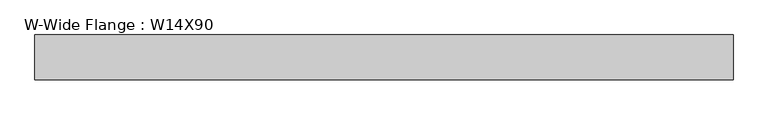
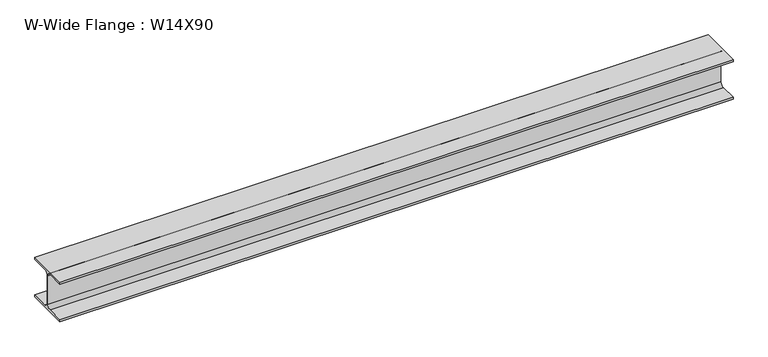
"""IFC4 building model written with IfcOpenShell, lengths in millimetres: beam geometry, W-Wide Flange : W14X90."""

import ifcopenshell
import ifcopenshell.guid

model = None  # the IFC model being written
_history = None  # IfcOwnerHistory: only IFC2X3 demands one
_inside = {}  # id of a spatial element -> (the spatial element, [elements in it])
_under = {}  # id of a project, library or spatial element -> (it, [spatial elements below it])
_declared = {}  # id of a project -> (the project, [libraries it declares])
_typed = {}  # id of a type object -> (the type object, [elements of that type])
_made_of = {}  # id of a material, layer set ... -> (it, [elements and type objects made of it])


def new_model(schema):
    """Start an empty IFC model of exactly this schema.

    Asked for "IFC4X3", IfcOpenShell would pick the latest addendum, in which some entities
    have other attributes; the version numbers below select the first issue.
    IFC2X3 requires an IfcOwnerHistory on every rooted entity: one is made here for all.
    """
    global model, _history
    if schema == "IFC4X3":
        model = ifcopenshell.file(schema_version=(4, 3, 0, 0))
    else:
        model = ifcopenshell.file(schema=schema)
    _inside.clear()
    _under.clear()
    _declared.clear()
    _typed.clear()
    _made_of.clear()
    _history = None
    if model.schema == "IFC2X3":
        org = make("IfcOrganization", Name="unknown")
        user = make(
            "IfcPersonAndOrganization",
            ThePerson=make("IfcPerson", FamilyName="unknown"),
            TheOrganization=org,
        )
        app = make(
            "IfcApplication",
            ApplicationDeveloper=org,
            Version="unknown",
            ApplicationFullName="unknown",
            ApplicationIdentifier="unknown",
        )
        _history = make(
            "IfcOwnerHistory",
            OwningUser=user,
            OwningApplication=app,
            ChangeAction="ADDED",
            CreationDate=0,
        )
    return model


def make(cls, **values):
    """One entity of the class cls with the attributes given. An attribute that is None is left unset."""
    return model.create_entity(
        cls, **{name: value for name, value in values.items() if value is not None}
    )


def rooted(cls, **values):
    """An entity with a GlobalId (a new one), such as an element, a storey or a relation."""
    return make(cls, GlobalId=ifcopenshell.guid.new(), OwnerHistory=_history, **values)


def si_unit(unit_type, name, prefix=None):
    """IfcSIUnit, for example si_unit("LENGTHUNIT", "METRE", prefix="MILLI")."""
    return make("IfcSIUnit", UnitType=unit_type, Prefix=prefix, Name=name)


def assignment(units):
    """IfcUnitAssignment: the units of a project."""
    return None if units is None else make("IfcUnitAssignment", Units=units)


def point(xyz):
    """IfcCartesianPoint."""
    return None if xyz is None else make("IfcCartesianPoint", Coordinates=xyz)


def direction(xyz):
    """IfcDirection."""
    return None if xyz is None else make("IfcDirection", DirectionRatios=xyz)


def frame(location, z_axis=None, x_axis=None):
    """IfcAxis2Placement3D, a coordinate frame: its origin and axes. An axis left out is left unset."""
    return make(
        "IfcAxis2Placement3D",
        Location=point(location),
        Axis=direction(z_axis),
        RefDirection=direction(x_axis),
    )


def frame_2d(location, x_axis=None):
    """IfcAxis2Placement2D, a coordinate frame in the plane: its origin and x axis."""
    return make(
        "IfcAxis2Placement2D", Location=point(location), RefDirection=direction(x_axis)
    )


def origin():
    """The frame at (0, 0, 0) with its axes left unset."""
    return frame((0.0, 0.0, 0.0))


def place(relative_to, where):
    """IfcLocalPlacement: puts the frame where relative to a parent placement (None: the world)."""
    return make(
        "IfcLocalPlacement", PlacementRelTo=relative_to, RelativePlacement=where
    )


def context(
    kind, dimensions, precision=None, world=None, true_north=None, identifier=None
):
    """IfcGeometricRepresentationContext, for example the 3D "Model" context."""
    return make(
        "IfcGeometricRepresentationContext",
        ContextIdentifier=identifier,
        ContextType=kind,
        CoordinateSpaceDimension=dimensions,
        Precision=precision,
        WorldCoordinateSystem=world,
        TrueNorth=true_north,
    )


def project(units=None, contexts=None):
    """IfcProject with its units and contexts."""
    return rooted(
        "IfcProject",
        Name="project",
        RepresentationContexts=contexts,
        UnitsInContext=assignment(units),
    )


def spatial(cls, under=None, at=None, **own):
    """A site, building, storey or space (cls), placed at a placement, below another one or the project."""
    s = rooted(cls, ObjectPlacement=at, **own)
    if under is not None:
        _under.setdefault(under.id(), (under, []))[1].append(s)
    return s


def polyline(points):
    """IfcPolyline through the points."""
    return make("IfcPolyline", Points=[point(p) for p in points])


def circle_curve(where, radius):
    """IfcCircle in the frame where."""
    return make("IfcCircle", Position=where, Radius=radius)


def trimmed(basis, trim1, trim2, sense, master):
    """IfcTrimmedCurve: the piece of a basis curve between two trims."""
    return make(
        "IfcTrimmedCurve",
        BasisCurve=basis,
        Trim1=trim1,
        Trim2=trim2,
        SenseAgreement=sense,
        MasterRepresentation=master,
    )


def segment(curve, same_sense, transition):
    """IfcCompositeCurveSegment."""
    return make(
        "IfcCompositeCurveSegment",
        Transition=transition,
        SameSense=same_sense,
        ParentCurve=curve,
    )


def composite_curve(segments, self_intersect=None):
    """IfcCompositeCurve: segments joined end to end."""
    return make("IfcCompositeCurve", Segments=segments, SelfIntersect=self_intersect)


def outline(outer, holes=None, kind="AREA"):
    """IfcArbitraryClosedProfileDef: a profile drawn as a closed curve; with holes, ...WithVoids."""
    if holes is None:
        return make("IfcArbitraryClosedProfileDef", ProfileType=kind, OuterCurve=outer)
    return make(
        "IfcArbitraryProfileDefWithVoids",
        ProfileType=kind,
        OuterCurve=outer,
        InnerCurves=holes,
    )


def extrude(swept, where, along, depth):
    """IfcExtrudedAreaSolid: the profile swept, set in the frame where, extruded along a direction by depth."""
    return make(
        "IfcExtrudedAreaSolid",
        SweptArea=swept,
        Position=where,
        ExtrudedDirection=direction(along),
        Depth=depth,
    )


def shape(context_of_items, identifier, shape_type, items):
    """IfcShapeRepresentation: the items that make up one representation, for example the "Body"."""
    return make(
        "IfcShapeRepresentation",
        ContextOfItems=context_of_items,
        RepresentationIdentifier=identifier,
        RepresentationType=shape_type,
        Items=items,
    )


def source(mapping_origin, context_of_items, identifier, shape_type, items):
    """IfcRepresentationMap: a shape defined once, which mapped items show again and again."""
    return make(
        "IfcRepresentationMap",
        MappingOrigin=mapping_origin,
        MappedRepresentation=shape(context_of_items, identifier, shape_type, items),
    )


def transform(
    local_origin,
    x_axis=None,
    y_axis=None,
    z_axis=None,
    scale=None,
    scale2=None,
    scale3=None,
    uniform=True,
):
    """IfcCartesianTransformationOperator3D, or its non-uniform kind. x_axis, y_axis, z_axis: its Axis1, 2, 3."""
    if uniform:
        return make(
            "IfcCartesianTransformationOperator3D",
            Axis1=direction(x_axis),
            Axis2=direction(y_axis),
            LocalOrigin=point(local_origin),
            Scale=scale,
            Axis3=direction(z_axis),
        )
    return make(
        "IfcCartesianTransformationOperator3DnonUniform",
        Axis1=direction(x_axis),
        Axis2=direction(y_axis),
        LocalOrigin=point(local_origin),
        Scale=scale,
        Axis3=direction(z_axis),
        Scale2=scale2,
        Scale3=scale3,
    )


def mapped(mapping_source, mapping_target):
    """IfcMappedItem: shows the shape of a source again, moved by a transform."""
    return make(
        "IfcMappedItem", MappingSource=mapping_source, MappingTarget=mapping_target
    )


def made_of(thing, what):
    """Note that an element or type object is made of a material, layer set ...; save() writes the relation."""
    if what is not None:
        _made_of.setdefault(what.id(), (what, []))[1].append(thing)
    return thing


def element(
    cls,
    number,
    at=None,
    inside=None,
    cuts=None,
    type_object=None,
    material=None,
    context=None,
    identifier="Body",
    shape_type=None,
    held_by="IfcProductDefinitionShape",
    body=None,
    shapes=None,
    **own,
):
    """One element of the class cls, such as IfcWall. Its Tag is "e" and its number.

    at: its placement. inside: the storey or other place that contains it. cuts: it is an
    opening in that element (IfcRelVoidsElement). A single representation is given by context,
    identifier, shape_type and body (its items); several are given by shapes. held_by: the class
    of the entity that holds the representations. save() writes the other relations.
    """
    e = rooted(cls, Tag="e%d" % number, ObjectPlacement=at, **own)
    if body is not None:
        shapes = [shape(context, identifier, shape_type, body)]
    if shapes is not None:
        e.Representation = make(held_by, Representations=shapes)
    if inside is not None:
        _inside.setdefault(inside.id(), (inside, []))[1].append(e)
    if cuts is not None:
        rooted(
            "IfcRelVoidsElement", RelatingBuildingElement=cuts, RelatedOpeningElement=e
        )
    if type_object is not None:
        _typed.setdefault(type_object.id(), (type_object, []))[1].append(e)
    return made_of(e, material)


def aggregate(whole, parts):
    """IfcRelAggregates: a whole, such as a stair, and the parts it consists of."""
    return rooted("IfcRelAggregates", RelatingObject=whole, RelatedObjects=parts)


def save(model, path):
    """Write the relations noted so far, then the file.

    IfcRelAggregates (storeys below a building ...), IfcRelContainedInSpatialStructure (elements
    in a storey), IfcRelDefinesByType, IfcRelAssociatesMaterial and IfcRelDeclares: one each for
    every whole, place, type object, material and project.
    """
    for whole, parts in _under.values():
        aggregate(whole, parts)
    for where, things in _inside.values():
        rooted(
            "IfcRelContainedInSpatialStructure",
            RelatedElements=things,
            RelatingStructure=where,
        )
    for kind, things in _typed.values():
        rooted("IfcRelDefinesByType", RelatedObjects=things, RelatingType=kind)
    for what, things in _made_of.values():
        rooted("IfcRelAssociatesMaterial", RelatedObjects=things, RelatingMaterial=what)
    for by, libraries in _declared.values():
        rooted("IfcRelDeclares", RelatingContext=by, RelatedDefinitions=libraries)
    model.write(path)


def w_wide_flange_w14x90_720231b1(model_context):
    return source(origin(), model_context, "Body", "SweptSolid", [
        extrude(outline(composite_curve([segment(polyline([(184.15, -159.7421875), (184.15, -177.8), (-184.15, -177.8), (-184.15, -159.7421875), (-38.3480469, -159.7421875)]), True, "CONTINUOUS"), segment(trimmed(circle_curve(frame_2d((-38.3480469, -127.0)), 32.7421875), [point((-38.3480469, -159.7421875))], [point((-5.6058594, -127.0))], True, "CARTESIAN"), True, "CONTINUOUS"), segment(polyline([(-5.6058594, -127.0), (-5.6058594, 127.0)]), True, "CONTINUOUS"), segment(trimmed(circle_curve(frame_2d((-38.3480469, 127.0)), 32.7421875), [point((-5.6058594, 127.0))], [point((-38.3480469, 159.7421875))], True, "CARTESIAN"), True, "CONTINUOUS"), segment(polyline([(-38.3480469, 159.7421875), (-184.15, 159.7421875), (-184.15, 177.8), (184.15, 177.8), (184.15, 159.7421875), (38.3480469, 159.7421875)]), True, "CONTINUOUS"), segment(trimmed(circle_curve(frame_2d((38.3480469, 127.0)), 32.7421875), [point((38.3480469, 159.7421875))], [point((5.6058594, 127.0))], True, "CARTESIAN"), True, "CONTINUOUS"), segment(polyline([(5.6058594, 127.0), (5.6058594, -127.0)]), True, "CONTINUOUS"), segment(trimmed(circle_curve(frame_2d((38.3480469, -127.0)), 32.7421875), [point((5.6058594, -127.0))], [point((38.3480469, -159.7421875))], True, "CARTESIAN"), True, "CONTINUOUS"), segment(polyline([(38.3480469, -159.7421875), (184.15, -159.7421875)]), True, "CONTINUOUS")], self_intersect=False)), frame((-2857.2519531, 0.0, 0.0), z_axis=(1.0, 0.0, 0.0), x_axis=(0.0, 1.0, 0.0)), (0.0, 0.0, 1.0), 5714.5039062),
    ])


if __name__ == "__main__":
    model = new_model("IFC4")
    model_context = context("Model", 3, world=origin())
    ifc_project = project(units=[si_unit("LENGTHUNIT", "METRE", prefix="MILLI")], contexts=[model_context])
    site = spatial("IfcSite", under=ifc_project)
    building = spatial("IfcBuilding", under=site)
    placement = place(None, origin())
    w_wide_flange_w14x90_shape = w_wide_flange_w14x90_720231b1(model_context)
    element("IfcBeam", 1, ObjectType="W-Wide Flange : W14X90", at=placement, inside=building, context=model_context, shape_type="MappedRepresentation", body=[
        mapped(w_wide_flange_w14x90_shape, transform((0.0, 0.0, 0.0), x_axis=(1.0, 0.0, 0.0), y_axis=(0.0, 1.0, 0.0), z_axis=(0.0, 0.0, 1.0))),
    ])
    save(model, "model.ifc")
